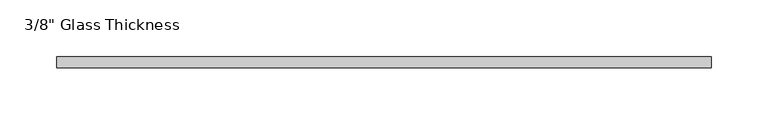
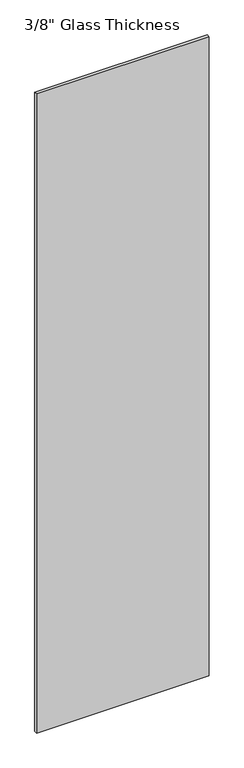
"""IFC4 building model written with IfcOpenShell, lengths in millimetres: plate geometry."""

from ifc_helpers import new_model, si_unit, origin, origin_with_axes, place, context, project, spatial, polyline, outline, extrude, source, transform, mapped, element, save


def plate_bcc0dd48(model_context):
    return source(origin(), model_context, "Body", "SweptSolid", [
        extrude(outline(polyline([(289.4481802, 0.0), (-289.4481802, 0.0), (-289.4481802, 10.0), (289.4481802, 10.0), (289.4481802, 0.0)])), origin_with_axes(), (0.0, 0.0, 1.0), 2267.0),
    ])


if __name__ == "__main__":
    model = new_model("IFC4")
    model_context = context("Model", 3, world=origin())
    ifc_project = project(units=[si_unit("LENGTHUNIT", "METRE", prefix="MILLI")], contexts=[model_context])
    site = spatial("IfcSite", under=ifc_project)
    building = spatial("IfcBuilding", under=site)
    placement = place(None, origin())
    plate_shape = plate_bcc0dd48(model_context)
    element("IfcPlate", 1, ObjectType="3/8\" Glass Thickness", at=placement, inside=building, context=model_context, shape_type="MappedRepresentation", body=[
        mapped(plate_shape, transform((0.0, 0.0, 0.0), x_axis=(1.0, 0.0, 0.0), y_axis=(0.0, 1.0, 0.0), z_axis=(0.0, 0.0, 1.0))),
    ])
    save(model, "model.ifc")
